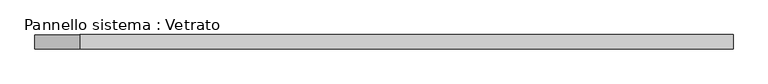
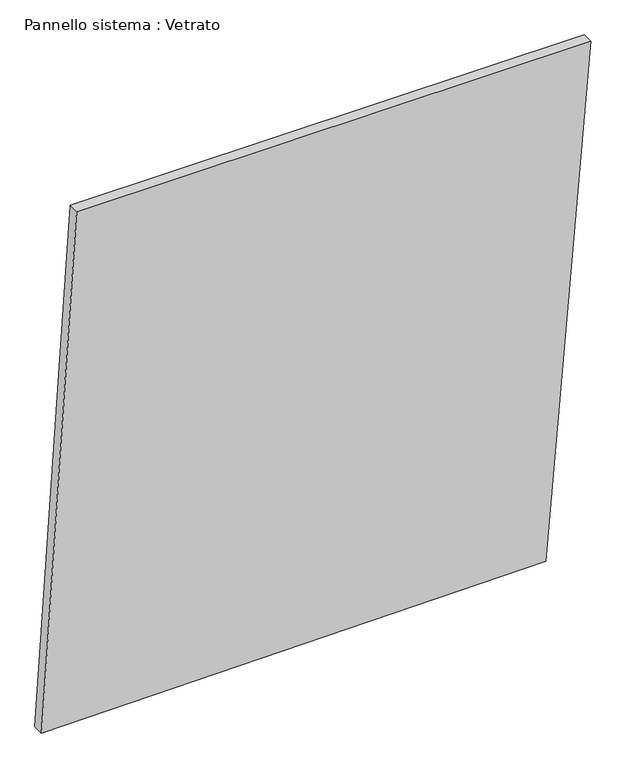
"""IFC4 building model written with IfcOpenShell, lengths in millimetres: plate geometry, Pannello sistema : Vetrato."""

import ifcopenshell
import ifcopenshell.guid

model = None  # the IFC model being written
_history = None  # IfcOwnerHistory: only IFC2X3 demands one
_inside = {}  # id of a spatial element -> (the spatial element, [elements in it])
_under = {}  # id of a project, library or spatial element -> (it, [spatial elements below it])
_declared = {}  # id of a project -> (the project, [libraries it declares])
_typed = {}  # id of a type object -> (the type object, [elements of that type])
_made_of = {}  # id of a material, layer set ... -> (it, [elements and type objects made of it])


def new_model(schema):
    """Start an empty IFC model of exactly this schema.

    Asked for "IFC4X3", IfcOpenShell would pick the latest addendum, in which some entities
    have other attributes; the version numbers below select the first issue.
    IFC2X3 requires an IfcOwnerHistory on every rooted entity: one is made here for all.
    """
    global model, _history
    if schema == "IFC4X3":
        model = ifcopenshell.file(schema_version=(4, 3, 0, 0))
    else:
        model = ifcopenshell.file(schema=schema)
    _inside.clear()
    _under.clear()
    _declared.clear()
    _typed.clear()
    _made_of.clear()
    _history = None
    if model.schema == "IFC2X3":
        org = make("IfcOrganization", Name="unknown")
        user = make(
            "IfcPersonAndOrganization",
            ThePerson=make("IfcPerson", FamilyName="unknown"),
            TheOrganization=org,
        )
        app = make(
            "IfcApplication",
            ApplicationDeveloper=org,
            Version="unknown",
            ApplicationFullName="unknown",
            ApplicationIdentifier="unknown",
        )
        _history = make(
            "IfcOwnerHistory",
            OwningUser=user,
            OwningApplication=app,
            ChangeAction="ADDED",
            CreationDate=0,
        )
    return model


def make(cls, **values):
    """One entity of the class cls with the attributes given. An attribute that is None is left unset."""
    return model.create_entity(
        cls, **{name: value for name, value in values.items() if value is not None}
    )


def rooted(cls, **values):
    """An entity with a GlobalId (a new one), such as an element, a storey or a relation."""
    return make(cls, GlobalId=ifcopenshell.guid.new(), OwnerHistory=_history, **values)


def si_unit(unit_type, name, prefix=None):
    """IfcSIUnit, for example si_unit("LENGTHUNIT", "METRE", prefix="MILLI")."""
    return make("IfcSIUnit", UnitType=unit_type, Prefix=prefix, Name=name)


def assignment(units):
    """IfcUnitAssignment: the units of a project."""
    return None if units is None else make("IfcUnitAssignment", Units=units)


def point(xyz):
    """IfcCartesianPoint."""
    return None if xyz is None else make("IfcCartesianPoint", Coordinates=xyz)


def direction(xyz):
    """IfcDirection."""
    return None if xyz is None else make("IfcDirection", DirectionRatios=xyz)


def frame(location, z_axis=None, x_axis=None):
    """IfcAxis2Placement3D, a coordinate frame: its origin and axes. An axis left out is left unset."""
    return make(
        "IfcAxis2Placement3D",
        Location=point(location),
        Axis=direction(z_axis),
        RefDirection=direction(x_axis),
    )


def origin():
    """The frame at (0, 0, 0) with its axes left unset."""
    return frame((0.0, 0.0, 0.0))


def place(relative_to, where):
    """IfcLocalPlacement: puts the frame where relative to a parent placement (None: the world)."""
    return make(
        "IfcLocalPlacement", PlacementRelTo=relative_to, RelativePlacement=where
    )


def context(
    kind, dimensions, precision=None, world=None, true_north=None, identifier=None
):
    """IfcGeometricRepresentationContext, for example the 3D "Model" context."""
    return make(
        "IfcGeometricRepresentationContext",
        ContextIdentifier=identifier,
        ContextType=kind,
        CoordinateSpaceDimension=dimensions,
        Precision=precision,
        WorldCoordinateSystem=world,
        TrueNorth=true_north,
    )


def project(units=None, contexts=None):
    """IfcProject with its units and contexts."""
    return rooted(
        "IfcProject",
        Name="project",
        RepresentationContexts=contexts,
        UnitsInContext=assignment(units),
    )


def spatial(cls, under=None, at=None, **own):
    """A site, building, storey or space (cls), placed at a placement, below another one or the project."""
    s = rooted(cls, ObjectPlacement=at, **own)
    if under is not None:
        _under.setdefault(under.id(), (under, []))[1].append(s)
    return s


def polyline(points):
    """IfcPolyline through the points."""
    return make("IfcPolyline", Points=[point(p) for p in points])


def outline(outer, holes=None, kind="AREA"):
    """IfcArbitraryClosedProfileDef: a profile drawn as a closed curve; with holes, ...WithVoids."""
    if holes is None:
        return make("IfcArbitraryClosedProfileDef", ProfileType=kind, OuterCurve=outer)
    return make(
        "IfcArbitraryProfileDefWithVoids",
        ProfileType=kind,
        OuterCurve=outer,
        InnerCurves=holes,
    )


def extrude(swept, where, along, depth):
    """IfcExtrudedAreaSolid: the profile swept, set in the frame where, extruded along a direction by depth."""
    return make(
        "IfcExtrudedAreaSolid",
        SweptArea=swept,
        Position=where,
        ExtrudedDirection=direction(along),
        Depth=depth,
    )


def shape(context_of_items, identifier, shape_type, items):
    """IfcShapeRepresentation: the items that make up one representation, for example the "Body"."""
    return make(
        "IfcShapeRepresentation",
        ContextOfItems=context_of_items,
        RepresentationIdentifier=identifier,
        RepresentationType=shape_type,
        Items=items,
    )


def source(mapping_origin, context_of_items, identifier, shape_type, items):
    """IfcRepresentationMap: a shape defined once, which mapped items show again and again."""
    return make(
        "IfcRepresentationMap",
        MappingOrigin=mapping_origin,
        MappedRepresentation=shape(context_of_items, identifier, shape_type, items),
    )


def transform(
    local_origin,
    x_axis=None,
    y_axis=None,
    z_axis=None,
    scale=None,
    scale2=None,
    scale3=None,
    uniform=True,
):
    """IfcCartesianTransformationOperator3D, or its non-uniform kind. x_axis, y_axis, z_axis: its Axis1, 2, 3."""
    if uniform:
        return make(
            "IfcCartesianTransformationOperator3D",
            Axis1=direction(x_axis),
            Axis2=direction(y_axis),
            LocalOrigin=point(local_origin),
            Scale=scale,
            Axis3=direction(z_axis),
        )
    return make(
        "IfcCartesianTransformationOperator3DnonUniform",
        Axis1=direction(x_axis),
        Axis2=direction(y_axis),
        LocalOrigin=point(local_origin),
        Scale=scale,
        Axis3=direction(z_axis),
        Scale2=scale2,
        Scale3=scale3,
    )


def mapped(mapping_source, mapping_target):
    """IfcMappedItem: shows the shape of a source again, moved by a transform."""
    return make(
        "IfcMappedItem", MappingSource=mapping_source, MappingTarget=mapping_target
    )


def made_of(thing, what):
    """Note that an element or type object is made of a material, layer set ...; save() writes the relation."""
    if what is not None:
        _made_of.setdefault(what.id(), (what, []))[1].append(thing)
    return thing


def element(
    cls,
    number,
    at=None,
    inside=None,
    cuts=None,
    type_object=None,
    material=None,
    context=None,
    identifier="Body",
    shape_type=None,
    held_by="IfcProductDefinitionShape",
    body=None,
    shapes=None,
    **own,
):
    """One element of the class cls, such as IfcWall. Its Tag is "e" and its number.

    at: its placement. inside: the storey or other place that contains it. cuts: it is an
    opening in that element (IfcRelVoidsElement). A single representation is given by context,
    identifier, shape_type and body (its items); several are given by shapes. held_by: the class
    of the entity that holds the representations. save() writes the other relations.
    """
    e = rooted(cls, Tag="e%d" % number, ObjectPlacement=at, **own)
    if body is not None:
        shapes = [shape(context, identifier, shape_type, body)]
    if shapes is not None:
        e.Representation = make(held_by, Representations=shapes)
    if inside is not None:
        _inside.setdefault(inside.id(), (inside, []))[1].append(e)
    if cuts is not None:
        rooted(
            "IfcRelVoidsElement", RelatingBuildingElement=cuts, RelatedOpeningElement=e
        )
    if type_object is not None:
        _typed.setdefault(type_object.id(), (type_object, []))[1].append(e)
    return made_of(e, material)


def aggregate(whole, parts):
    """IfcRelAggregates: a whole, such as a stair, and the parts it consists of."""
    return rooted("IfcRelAggregates", RelatingObject=whole, RelatedObjects=parts)


def save(model, path):
    """Write the relations noted so far, then the file.

    IfcRelAggregates (storeys below a building ...), IfcRelContainedInSpatialStructure (elements
    in a storey), IfcRelDefinesByType, IfcRelAssociatesMaterial and IfcRelDeclares: one each for
    every whole, place, type object, material and project.
    """
    for whole, parts in _under.values():
        aggregate(whole, parts)
    for where, things in _inside.values():
        rooted(
            "IfcRelContainedInSpatialStructure",
            RelatedElements=things,
            RelatingStructure=where,
        )
    for kind, things in _typed.values():
        rooted("IfcRelDefinesByType", RelatedObjects=things, RelatingType=kind)
    for what, things in _made_of.values():
        rooted("IfcRelAssociatesMaterial", RelatedObjects=things, RelatingMaterial=what)
    for by, libraries in _declared.values():
        rooted("IfcRelDeclares", RelatingContext=by, RelatedDefinitions=libraries)
    model.write(path)


def pannello_sistema_vetrato_55a12aa1(model_context):
    return source(origin(), model_context, "Body", "SweptSolid", [
        extrude(outline(polyline([(0.0, -736.2545251), (13.6364676, 615.7302847), (1445.0210174, 736.2545251), (1445.0210174, -642.0003285), (0.0, -736.2545251)])), frame((0.0, -15.0, 0.0), z_axis=(0.0, 1.0, 0.0), x_axis=(0.0, 0.0, 1.0)), (0.0, 0.0, 1.0), 30.0),
    ])


if __name__ == "__main__":
    model = new_model("IFC4")
    model_context = context("Model", 3, world=origin())
    ifc_project = project(units=[si_unit("LENGTHUNIT", "METRE", prefix="MILLI")], contexts=[model_context])
    site = spatial("IfcSite", under=ifc_project)
    building = spatial("IfcBuilding", under=site)
    placement = place(None, origin())
    pannello_sistema_vetrato_shape = pannello_sistema_vetrato_55a12aa1(model_context)
    element("IfcPlate", 1, ObjectType="Pannello sistema : Vetrato", at=placement, inside=building, context=model_context, shape_type="MappedRepresentation", body=[
        mapped(pannello_sistema_vetrato_shape, transform((0.0, 0.0, 0.0), x_axis=(1.0, 0.0, 0.0), y_axis=(0.0, 1.0, 0.0), z_axis=(0.0, 0.0, 1.0))),
    ])
    save(model, "model.ifc")
